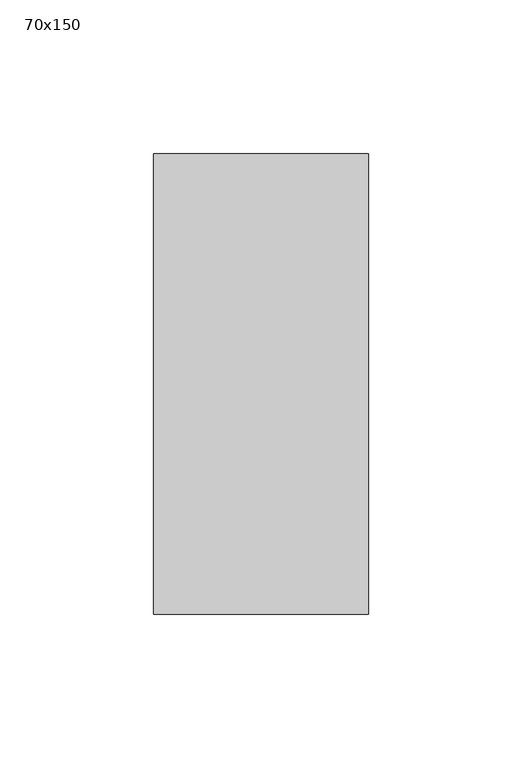
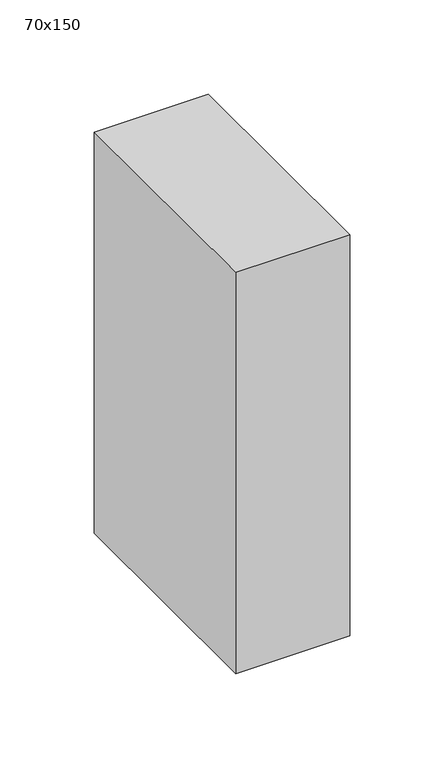
"""IFC4 building model written with IfcOpenShell, lengths in millimetres: member geometry, 70x150."""

from ifc_helpers import new_model, si_unit, frame, origin, place, context, project, spatial, polyline, outline, extrude, source, transform, mapped, element, save


def member_70x150_da24903b(model_context):
    return source(origin(), model_context, "Body", "SweptSolid", [
        extrude(outline(polyline([(35.0, 75.0), (35.0, -75.0), (-35.0, -75.0), (-35.0, 75.0), (35.0, 75.0)])), frame((0.0, 0.0, -260.0), z_axis=(0.0, 0.0, 1.0), x_axis=(1.0, 0.0, 0.0)), (0.0, 0.0, 1.0), 260.0),
    ])


if __name__ == "__main__":
    model = new_model("IFC4")
    model_context = context("Model", 3, world=origin())
    ifc_project = project(units=[si_unit("LENGTHUNIT", "METRE", prefix="MILLI")], contexts=[model_context])
    site = spatial("IfcSite", under=ifc_project)
    building = spatial("IfcBuilding", under=site)
    placement = place(None, origin())
    member_70x150_shape = member_70x150_da24903b(model_context)
    element("IfcMember", 1, ObjectType="70x150", at=placement, inside=building, context=model_context, shape_type="MappedRepresentation", body=[
        mapped(member_70x150_shape, transform((0.0, 0.0, 0.0), x_axis=(1.0, 0.0, 0.0), y_axis=(0.0, 1.0, 0.0), z_axis=(0.0, 0.0, 1.0))),
    ])
    save(model, "model.ifc")
